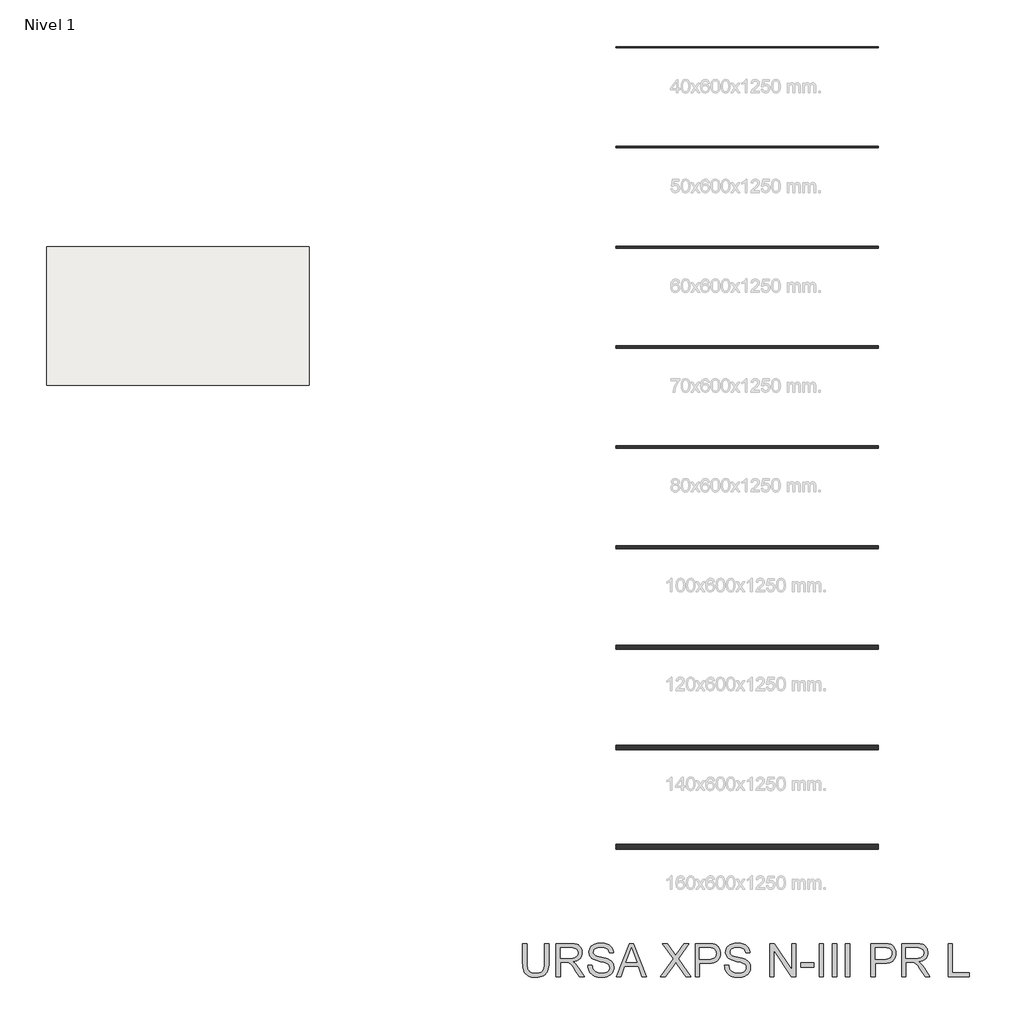
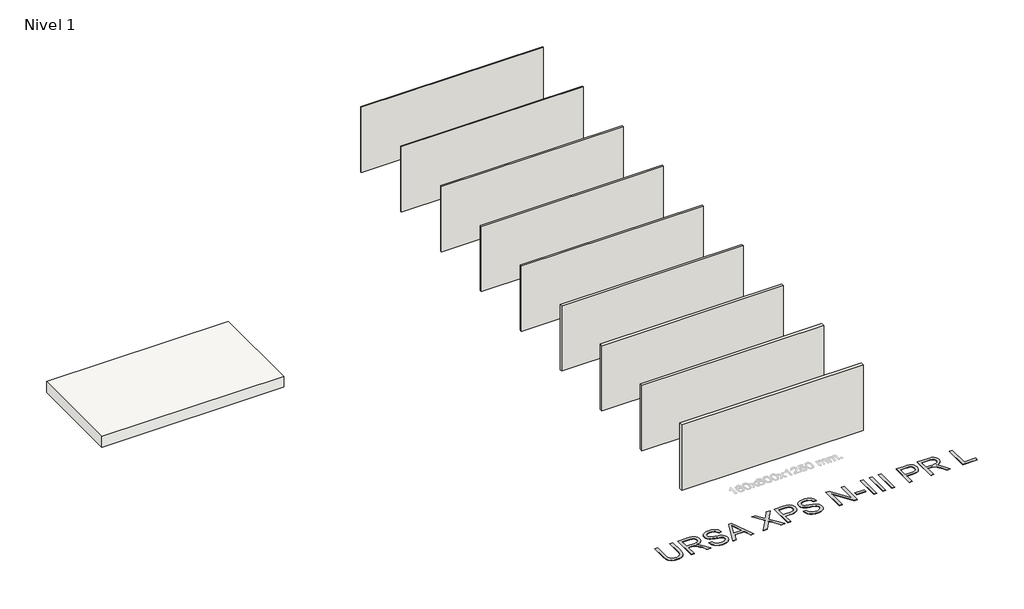
# One storey, part 1 of 6: 9 walls, 1 proxy, 1 slab.
"""IFC4 building model written with IfcOpenShell, lengths in millimetres."""

from ifc_helpers import new_model, si_unit, frame, origin, origin_with_axes, place, context, project, spatial, polyline, outline, extrude, element, save

model = new_model("IFC4")

# Units and contexts
model_context = context("Model", 3, world=origin())
ifc_project = project(units=[si_unit("LENGTHUNIT", "METRE", prefix="MILLI")], contexts=[model_context])

# Site, building, storey
site = spatial("IfcSite", under=ifc_project)
building = spatial("IfcBuilding", under=site)
storey = spatial("IfcBuildingStorey", under=building, Name="Nivel 1", Elevation=0.0)

# Proxy
placement = place(None, origin())
element("IfcBuildingElementProxy", 1, Name="Texto de modelo 2", ObjectType="Texto de modelo 2", at=placement, inside=storey, context=model_context, shape_type="SweptSolid", body=[
    extrude(outline(polyline([(-8674.2938661, -22989.8387308), (-8548.7234784, -22989.8387308), (-8548.7234784, -23569.3755006), (-8550.8541283, -23641.1354823), (-8557.2460779, -23705.0933), (-8567.8993274, -23761.2489537), (-8582.8138766, -23809.6024434), (-8603.2773126, -23851.985515), (-8630.5772223, -23890.229914), (-8664.7136058, -23924.3356407), (-8705.686463, -23954.3026949), (-8753.5417792, -23978.7131981), (-8808.3255396, -23996.1492718), (-8870.0377443, -24006.6109161), (-8938.6783933, -24010.0981308), (-9005.6252522, -24007.0631043), (-9066.1801614, -23997.958025), (-9120.343121, -23982.7828927), (-9168.1141309, -23961.5377074), (-9209.5008554, -23934.5367018), (-9244.5109586, -23902.0941084), (-9273.1444406, -23864.2099271), (-9295.4013013, -23820.8841579), (-9312.0862826, -23770.6299446), (-9324.0041264, -23711.9604305), (-9331.1548327, -23644.8756159), (-9333.5384014, -23569.3755006), (-9333.5384014, -22989.8387308), (-9207.9680137, -22989.8387308), (-9207.9680137, -23564.9609166), (-9206.4198437, -23625.66911), (-9201.7753335, -23677.8087187), (-9194.0344832, -23721.3797425), (-9183.1972927, -23756.3821815), (-9168.5893118, -23785.3452244), (-9149.5360902, -23810.7980599), (-9126.0376277, -23832.7406881), (-9098.0939245, -23851.1731089), (-9066.2414751, -23865.7657614), (-9031.0167741, -23876.1890846), (-8992.4198214, -23882.4430785), (-8950.4506171, -23884.5277431), (-8881.2428168, -23880.4043991), (-8822.7342511, -23868.034367), (-8774.9249202, -23847.4176468), (-8755.0324677, -23834.0167788), (-8737.8148239, -23818.5542386), (-8722.9270994, -23800.1601389), (-8710.0244048, -23777.9645918), (-8690.1741055, -23722.1691559), (-8678.2639259, -23651.1679308), (-8674.2938661, -23564.9609166), (-8674.2938661, -22989.8387308)])), origin_with_axes(), (0.0, 0.0, 1.0), 10.0),
    extrude(outline(polyline([(-8328.9752999, -23994.4018323), (-8328.9752999, -22989.8387308), (-7896.1008189, -22989.8387308), (-7833.9670828, -22991.5325209), (-7779.758138, -22996.6138909), (-7733.4739844, -23005.082841), (-7695.1146222, -23016.9393712), (-7662.4497668, -23033.0955221), (-7633.2491334, -23054.4633347), (-7607.5127221, -23081.0428088), (-7585.240533, -23112.8339446), (-7567.2679647, -23148.1276235), (-7554.4304159, -23185.2147271), (-7546.7278866, -23224.0952555), (-7544.1603769, -23264.7692086), (-7548.4140125, -23316.3646584), (-7561.1749192, -23363.7294653), (-7582.443097, -23406.8636292), (-7612.218546, -23445.7671502), (-7650.8844765, -23479.1984265), (-7698.824099, -23505.9158564), (-7756.0374135, -23525.9194399), (-7822.5244199, -23539.209177), (-7781.1376954, -23566.2485036), (-7751.1553128, -23592.9199483), (-7699.7131472, -23653.9270458), (-7649.3746275, -23722.1691559), (-7481.8656924, -23994.4018323), (-7627.7922171, -23994.4018323), (-7758.5129527, -23786.1806231), (-7810.8135097, -23706.7181121), (-7852.9359982, -23648.3475022), (-7888.0380719, -23608.1563942), (-7919.2773846, -23583.2323891), (-7948.8612284, -23568.6090798), (-7978.9968952, -23559.3200594), (-8051.8375302, -23554.9054754), (-8203.4049122, -23554.9054754), (-8203.4049122, -23994.4018323), (-8328.9752999, -23994.4018323)]), holes=[polyline([(-8203.4049122, -23429.3350877), (-7922.3430679, -23429.3350877), (-7841.6236268, -23424.889847), (-7778.9917171, -23411.5541246), (-7753.8071289, -23401.3300709), (-7731.8415081, -23388.4388726), (-7713.0948548, -23372.8805299), (-7697.5671689, -23354.6550427), (-7685.388742, -23334.6591234), (-7676.6898656, -23313.7894844), (-7671.4705398, -23292.0461257), (-7669.7307646, -23269.4290472), (-7673.0493667, -23237.3160147), (-7683.0051732, -23208.176695), (-7699.5981841, -23182.0110881), (-7722.8283992, -23158.819194), (-7753.2323133, -23139.827286), (-7791.3464208, -23126.2616374), (-7837.1707218, -23118.1222482), (-7890.7052163, -23115.4091185), (-8203.4049122, -23115.4091185), (-8203.4049122, -23429.3350877)])]), origin_with_axes(), (0.0, 0.0, 1.0), 10.0),
    extrude(outline(polyline([(-7371.5010938, -23649.0832662), (-7245.9307061, -23649.0832662), (-7240.18255, -23685.6338753), (-7231.5219947, -23718.7662475), (-7219.9490402, -23748.4803828), (-7205.4636867, -23774.7762812), (-7187.33017, -23798.1827732), (-7164.8127262, -23819.228689), (-7137.9113553, -23837.9140286), (-7106.6260573, -23854.2387922), (-7072.1064634, -23867.4902082), (-7035.5022049, -23876.9555054), (-6996.8132817, -23882.6346837), (-6956.0396939, -23884.5277431), (-6886.0808012, -23878.7949154), (-6854.3663075, -23871.6288807), (-6824.828449, -23861.5964321), (-6798.1953254, -23849.0577874), (-6775.1950365, -23834.3731644), (-6755.8275823, -23817.5425632), (-6740.0929628, -23798.5659836), (-6727.9145359, -23778.263496), (-6719.2156595, -23757.4551706), (-6713.9963337, -23736.1410075), (-6712.2565585, -23714.3210067), (-6717.4682201, -23672.2904887), (-6733.1032049, -23635.9621417), (-6746.2549862, -23619.8443118), (-6764.8636838, -23604.9680836), (-6788.9292976, -23591.3334572), (-6818.4518277, -23578.9404325), (-6884.7625574, -23559.2280889), (-7001.2891793, -23530.9931457), (-7121.3106803, -23499.2633237), (-7165.1116303, -23483.9732282), (-7198.1060468, -23469.0663432), (-7231.6369578, -23449.0627597), (-7260.6153291, -23426.8212274), (-7285.0411607, -23402.3417463), (-7304.9144527, -23375.6243164), (-7320.311847, -23346.9448492), (-7331.3099858, -23316.5792562), (-7337.9088691, -23284.5275374), (-7340.1084969, -23250.7896928), (-7337.387703, -23213.3960208), (-7329.2253212, -23177.2439506), (-7315.6213516, -23142.333482), (-7296.5757941, -23108.6646153), (-7272.3032467, -23077.6092435), (-7243.018307, -23050.53926), (-7208.7209752, -23027.4546648), (-7169.4112511, -23008.3554579), (-7126.4150429, -22993.3872593), (-7081.0582586, -22982.6956888), (-7033.3408982, -22976.2807465), (-6983.2629616, -22974.1424324), (-6928.6324853, -22976.3803812), (-6877.312947, -22983.0942276), (-6829.3043466, -22994.2839716), (-6784.6066842, -23009.9496132), (-6744.0476942, -23029.9531967), (-6708.4551112, -23054.1567663), (-6677.8289351, -23082.560322), (-6652.1691659, -23115.1638639), (-6631.6750731, -23151.01703), (-6616.545926, -23189.1694586), (-6606.7817248, -23229.6211496), (-6602.3824692, -23272.3721031), (-6727.9528569, -23272.3721031), (-6736.3528291, -23232.3036225), (-6751.0067953, -23197.4468035), (-6771.9147553, -23167.801646), (-6799.0767093, -23143.3681502), (-6832.998495, -23124.2689432), (-6874.18595, -23110.6266526), (-6922.6390745, -23102.4412782), (-6978.3578683, -23099.7128201), (-7035.8547585, -23102.4106214), (-7084.9823332, -23110.5040253), (-7125.7405926, -23123.9930317), (-7158.1295366, -23142.8776408), (-7182.8082871, -23165.5790256), (-7200.4359661, -23190.5183592), (-7211.0125734, -23217.6956416), (-7214.5381092, -23247.1108728), (-7212.0395773, -23272.4180884), (-7204.5439817, -23295.3647278), (-7192.0513223, -23315.9507911), (-7174.5615991, -23334.1762783), (-7147.0317631, -23351.4360753), (-7103.6830013, -23368.8798132), (-7044.5153138, -23386.5074921), (-6969.5287004, -23404.3191121), (-6831.0824429, -23437.9803146), (-6782.3687354, -23453.2014322), (-6747.3279753, -23467.3495606), (-6708.8306574, -23488.7940152), (-6675.7442704, -23512.9056143), (-6648.0688145, -23539.6843579), (-6625.8042896, -23569.1302459), (-6608.6901126, -23601.0899942), (-6596.4657005, -23635.4103187), (-6589.1310532, -23672.0912193), (-6586.6861708, -23711.1326961), (-6589.4989352, -23750.4117632), (-6597.9372285, -23788.5411992), (-6612.0010506, -23825.5210039), (-6631.6904015, -23861.3511774), (-6656.6603919, -23894.644498), (-6686.5661325, -23924.0137439), (-6721.4076231, -23949.4589153), (-6761.1848638, -23970.980012), (-6804.7405592, -23988.094189), (-6850.9174138, -24000.3186011), (-6899.7154276, -24007.6532484), (-6951.1346007, -24010.0981308), (-7015.3683299, -24007.4616432), (-7074.1604712, -23999.5521803), (-7127.5110247, -23986.3697421), (-7175.4199904, -23967.9143287), (-7218.1786081, -23944.1552832), (-7256.0781178, -23915.0619487), (-7289.1185195, -23880.6343253), (-7317.2998132, -23840.872413), (-7340.001198, -23797.0637988), (-7356.601873, -23750.4960695), (-7367.1018383, -23701.1692253), (-7371.5010938, -23649.0832662)])), origin_with_axes(), (0.0, 0.0, 1.0), 10.0),
    extrude(outline(polyline([(-6515.3170637, -23994.4018323), (-6114.325689, -22989.8387308), (-6007.3946557, -22989.8387308), (-5606.403281, -23994.4018323), (-5739.0860539, -23994.4018323), (-5854.110491, -23680.4758631), (-6267.8551083, -23680.4758631), (-6382.6342908, -23994.4018323), (-6515.3170637, -23994.4018323)]), holes=[polyline([(-6221.7472316, -23554.9054754), (-5899.9731131, -23554.9054754), (-5990.4720839, -23307.9340293), (-6060.8601723, -23115.4091185), (-6123.4001115, -23286.351619), (-6221.7472316, -23554.9054754)])]), origin_with_axes(), (0.0, 0.0, 1.0), 10.0),
    extrude(outline(polyline([(-5189.7156078, -23994.4018323), (-4802.4584942, -23446.9934235), (-5126.9304139, -22989.8387308), (-4976.3440506, -22989.8387308), (-4793.6293263, -23247.1108728), (-4750.0353099, -23312.2872996), (-4732.0704058, -23347.4200302), (-4659.9655347, -23245.3940902), (-4479.2128477, -22989.8387308), (-4326.4191924, -22989.8387308), (-4650.8911122, -23448.4649515), (-4263.6339986, -23994.4018323), (-4414.2203619, -23994.4018323), (-4672.2282679, -23630.4439118), (-4725.9390392, -23554.9054754), (-4785.0454131, -23637.8015517), (-5036.9219524, -23994.4018323), (-5189.7156078, -23994.4018323)])), origin_with_axes(), (0.0, 0.0, 1.0), 10.0),
    extrude(outline(polyline([(-4138.0636109, -23994.4018323), (-4138.0636109, -22989.8387308), (-3765.7670318, -22989.8387308), (-3679.0695082, -22992.2299638), (-3615.6711777, -22999.4036627), (-3580.7300524, -23006.9375794), (-3548.7473114, -23017.2765963), (-3519.7229549, -23030.4207134), (-3493.6569827, -23046.3699308), (-3470.2734833, -23065.4538093), (-3449.2965454, -23088.0019099), (-3430.7261689, -23114.0142326), (-3414.5623537, -23143.4907775), (-3401.471886, -23175.45819), (-3392.121552, -23208.9431158), (-3386.5113516, -23243.9455548), (-3384.6412848, -23280.465507), (-3389.691998, -23342.1317265), (-3404.8441377, -23398.8621958), (-3430.0977038, -23450.656915), (-3465.4526964, -23497.5158842), (-3487.6884805, -23518.3242095), (-3513.9901271, -23536.3580915), (-3544.3576362, -23551.6175301), (-3578.7910077, -23564.1025253), (-3617.2902417, -23573.8130771), (-3659.8553382, -23580.7491856), (-3757.1831185, -23586.2980724), (-4012.4932232, -23586.2980724), (-4012.4932232, -23994.4018323), (-4138.0636109, -23994.4018323)]), holes=[polyline([(-4012.4932232, -23460.7276847), (-3749.8254786, -23460.7276847), (-3689.4315178, -23457.8459424), (-3638.4798614, -23449.2007155), (-3596.9705096, -23434.792004), (-3564.9034624, -23414.6198079), (-3540.9758043, -23389.2206219), (-3523.8846199, -23359.1309403), (-3513.6299093, -23324.3507634), (-3510.2116724, -23284.880091), (-3512.2273592, -23255.5721587), (-3518.2744195, -23228.4715184), (-3528.3528533, -23203.57817), (-3542.4626607, -23180.8921137), (-3559.8527492, -23161.1491133), (-3579.7720264, -23145.0849328), (-3602.2204923, -23132.6995723), (-3627.1981469, -23123.9930317), (-3675.6359429, -23117.5550968), (-3752.7685346, -23115.4091185), (-4012.4932232, -23115.4091185), (-4012.4932232, -23460.7276847)])]), origin_with_axes(), (0.0, 0.0, 1.0), 10.0),
    extrude(outline(polyline([(-3259.0708971, -23649.0832662), (-3133.5005094, -23649.0832662), (-3127.7523532, -23685.6338753), (-3119.0917979, -23718.7662475), (-3107.5188435, -23748.4803828), (-3093.0334899, -23774.7762812), (-3074.8999732, -23798.1827732), (-3052.3825294, -23819.228689), (-3025.4811585, -23837.9140286), (-2994.1958605, -23854.2387922), (-2959.6762667, -23867.4902082), (-2923.0720081, -23876.9555054), (-2884.383085, -23882.6346837), (-2843.6094972, -23884.5277431), (-2773.6506044, -23878.7949154), (-2741.9361108, -23871.6288807), (-2712.3982522, -23861.5964321), (-2685.7651286, -23849.0577874), (-2662.7648397, -23834.3731644), (-2643.3973855, -23817.5425632), (-2627.662766, -23798.5659836), (-2615.4843391, -23778.263496), (-2606.7854628, -23757.4551706), (-2601.566137, -23736.1410075), (-2599.8263617, -23714.3210067), (-2605.0380233, -23672.2904887), (-2620.6730081, -23635.9621417), (-2633.8247894, -23619.8443118), (-2652.433487, -23604.9680836), (-2676.4991009, -23591.3334572), (-2706.021631, -23578.9404325), (-2772.3323606, -23559.2280889), (-2888.8589826, -23530.9931457), (-3008.8804835, -23499.2633237), (-3052.6814336, -23483.9732282), (-3085.67585, -23469.0663432), (-3119.206761, -23449.0627597), (-3148.1851324, -23426.8212274), (-3172.610964, -23402.3417463), (-3192.4842559, -23375.6243164), (-3207.8816503, -23346.9448492), (-3218.8797891, -23316.5792562), (-3225.4786724, -23284.5275374), (-3227.6783001, -23250.7896928), (-3224.9575062, -23213.3960208), (-3216.7951245, -23177.2439506), (-3203.1911548, -23142.333482), (-3184.1455974, -23108.6646153), (-3159.8730499, -23077.6092435), (-3130.5881103, -23050.53926), (-3096.2907784, -23027.4546648), (-3056.9810544, -23008.3554579), (-3013.9848462, -22993.3872593), (-2968.6280619, -22982.6956888), (-2920.9107014, -22976.2807465), (-2870.8327648, -22974.1424324), (-2816.2022885, -22976.3803812), (-2764.8827502, -22983.0942276), (-2716.8741498, -22994.2839716), (-2672.1764874, -23009.9496132), (-2631.6174975, -23029.9531967), (-2596.0249144, -23054.1567663), (-2565.3987383, -23082.560322), (-2539.7389692, -23115.1638639), (-2519.2448763, -23151.01703), (-2504.1157293, -23189.1694586), (-2494.351528, -23229.6211496), (-2489.9522725, -23272.3721031), (-2615.5226602, -23272.3721031), (-2623.9226324, -23232.3036225), (-2638.5765985, -23197.4468035), (-2659.4845586, -23167.801646), (-2686.6465126, -23143.3681502), (-2720.5682982, -23124.2689432), (-2761.7557533, -23110.6266526), (-2810.2088777, -23102.4412782), (-2865.9276716, -23099.7128201), (-2923.4245617, -23102.4106214), (-2972.5521365, -23110.5040253), (-3013.3103959, -23123.9930317), (-3045.6993399, -23142.8776408), (-3070.3780904, -23165.5790256), (-3088.0057693, -23190.5183592), (-3098.5823767, -23217.6956416), (-3102.1079125, -23247.1108728), (-3099.6093806, -23272.4180884), (-3092.1137849, -23295.3647278), (-3079.6211255, -23315.9507911), (-3062.1314023, -23334.1762783), (-3034.6015663, -23351.4360753), (-2991.2528046, -23368.8798132), (-2932.085117, -23386.5074921), (-2857.0985037, -23404.3191121), (-2718.6522462, -23437.9803146), (-2669.9385386, -23453.2014322), (-2634.8977786, -23467.3495606), (-2596.4004606, -23488.7940152), (-2563.3140737, -23512.9056143), (-2535.6386178, -23539.6843579), (-2513.3740928, -23569.1302459), (-2496.2599159, -23601.0899942), (-2484.0355037, -23635.4103187), (-2476.7008564, -23672.0912193), (-2474.255974, -23711.1326961), (-2477.0687384, -23750.4117632), (-2485.5070317, -23788.5411992), (-2499.5708538, -23825.5210039), (-2519.2602048, -23861.3511774), (-2544.2301952, -23894.644498), (-2574.1359357, -23924.0137439), (-2608.9774263, -23949.4589153), (-2648.7546671, -23970.980012), (-2692.3103625, -23988.094189), (-2738.4872171, -24000.3186011), (-2787.2852309, -24007.6532484), (-2838.7044039, -24010.0981308), (-2902.9381331, -24007.4616432), (-2961.7302745, -23999.5521803), (-3015.080828, -23986.3697421), (-3062.9897936, -23967.9143287), (-3105.7484114, -23944.1552832), (-3143.6479211, -23915.0619487), (-3176.6883228, -23880.6343253), (-3204.8696164, -23840.872413), (-3227.5710012, -23797.0637988), (-3244.1716763, -23750.4960695), (-3254.6716415, -23701.1692253), (-3259.0708971, -23649.0832662)])), origin_with_axes(), (0.0, 0.0, 1.0), 10.0),
    extrude(outline(polyline([(-1893.492931, -23994.4018323), (-1893.492931, -22989.8387308), (-1759.0933754, -22989.8387308), (-1234.2483956, -23785.6901137), (-1234.2483956, -22989.8387308), (-1108.6780079, -22989.8387308), (-1108.6780079, -23994.4018323), (-1243.0775635, -23994.4018323), (-1767.9225433, -23198.3051948), (-1767.9225433, -23994.4018323), (-1893.492931, -23994.4018323)])), origin_with_axes(), (0.0, 0.0, 1.0), 10.0),
    extrude(outline(polyline([(-967.4113218, -23696.1721616), (-967.4113218, -23570.6017739), (-575.0038603, -23570.6017739), (-575.0038603, -23696.1721616), (-967.4113218, -23696.1721616)])), origin_with_axes(), (0.0, 0.0, 1.0), 10.0),
    extrude(outline(polyline([(-402.3445772, -23994.4018323), (-402.3445772, -22989.8387308), (-276.7741895, -22989.8387308), (-276.7741895, -23994.4018323), (-402.3445772, -23994.4018323)])), origin_with_axes(), (0.0, 0.0, 1.0), 10.0),
    extrude(outline(polyline([(-9.9371157, -23994.4018323), (-9.9371157, -22989.8387308), (115.633272, -22989.8387308), (115.633272, -23994.4018323), (-9.9371157, -23994.4018323)])), origin_with_axes(), (0.0, 0.0, 1.0), 10.0),
    extrude(outline(polyline([(382.4703459, -23994.4018323), (382.4703459, -22989.8387308), (508.0407335, -22989.8387308), (508.0407335, -23994.4018323), (382.4703459, -23994.4018323)])), origin_with_axes(), (0.0, 0.0, 1.0), 10.0),
    extrude(outline(polyline([(1151.5889704, -23994.4018323), (1151.5889704, -22989.8387308), (1523.8855496, -22989.8387308), (1610.5830731, -22992.2299638), (1673.9814036, -22999.4036627), (1708.9225289, -23006.9375794), (1740.9052699, -23017.2765963), (1769.9296265, -23030.4207134), (1795.9955987, -23046.3699308), (1819.379098, -23065.4538093), (1840.3560359, -23088.0019099), (1858.9264125, -23114.0142326), (1875.0902276, -23143.4907775), (1888.1806953, -23175.45819), (1897.5310293, -23208.9431158), (1903.1412298, -23243.9455548), (1905.0112966, -23280.465507), (1899.9605833, -23342.1317265), (1884.8084437, -23398.8621958), (1859.5548775, -23450.656915), (1824.199885, -23497.5158842), (1801.9641008, -23518.3242095), (1775.6624542, -23536.3580915), (1745.2949451, -23551.6175301), (1710.8615736, -23564.1025253), (1672.3623396, -23573.8130771), (1629.7972431, -23580.7491856), (1532.4694628, -23586.2980724), (1277.1593581, -23586.2980724), (1277.1593581, -23994.4018323), (1151.5889704, -23994.4018323)]), holes=[polyline([(1277.1593581, -23460.7276847), (1539.8271027, -23460.7276847), (1600.2210636, -23457.8459424), (1651.1727199, -23449.2007155), (1692.6820717, -23434.792004), (1724.7491189, -23414.6198079), (1748.676777, -23389.2206219), (1765.7679614, -23359.1309403), (1776.022672, -23324.3507634), (1779.4409089, -23284.880091), (1777.4252221, -23255.5721587), (1771.3781618, -23228.4715184), (1761.299728, -23203.57817), (1747.1899206, -23180.8921137), (1729.7998322, -23161.1491133), (1709.880555, -23145.0849328), (1687.432089, -23132.6995723), (1662.4544344, -23123.9930317), (1614.0166384, -23117.5550968), (1536.8840467, -23115.4091185), (1277.1593581, -23115.4091185), (1277.1593581, -23460.7276847)])]), origin_with_axes(), (0.0, 0.0, 1.0), 10.0),
    extrude(outline(polyline([(2077.6705796, -23994.4018323), (2077.6705796, -22989.8387308), (2510.5450606, -22989.8387308), (2572.6787968, -22991.5325209), (2626.8877416, -22996.6138909), (2673.1718951, -23005.082841), (2711.5312573, -23016.9393712), (2744.1961128, -23033.0955221), (2773.3967462, -23054.4633347), (2799.1331574, -23081.0428088), (2821.4053465, -23112.8339446), (2839.3779149, -23148.1276235), (2852.2154636, -23185.2147271), (2859.9179929, -23224.0952555), (2862.4855027, -23264.7692086), (2858.2318671, -23316.3646584), (2845.4709604, -23363.7294653), (2824.2027826, -23406.8636292), (2794.4273336, -23445.7671502), (2755.761403, -23479.1984265), (2707.8217805, -23505.9158564), (2650.6084661, -23525.9194399), (2584.1214597, -23539.209177), (2625.5081841, -23566.2485036), (2655.4905667, -23592.9199483), (2706.9327324, -23653.9270458), (2757.2712521, -23722.1691559), (2924.7801872, -23994.4018323), (2778.8536624, -23994.4018323), (2648.1329268, -23786.1806231), (2595.8323698, -23706.7181121), (2553.7098814, -23648.3475022), (2518.6078077, -23608.1563942), (2487.3684949, -23583.2323891), (2457.7846511, -23568.6090798), (2427.6489844, -23559.3200594), (2354.8083493, -23554.9054754), (2203.2409673, -23554.9054754), (2203.2409673, -23994.4018323), (2077.6705796, -23994.4018323)]), holes=[polyline([(2203.2409673, -23429.3350877), (2484.3028116, -23429.3350877), (2565.0222527, -23424.889847), (2627.6541624, -23411.5541246), (2652.8387507, -23401.3300709), (2674.8043715, -23388.4388726), (2693.5510248, -23372.8805299), (2709.0787107, -23354.6550427), (2721.2571376, -23334.6591234), (2729.9560139, -23313.7894844), (2735.1753397, -23292.0461257), (2736.915115, -23269.4290472), (2733.5965128, -23237.3160147), (2723.6407063, -23208.176695), (2707.0476955, -23182.0110881), (2683.8174804, -23158.819194), (2653.4135663, -23139.827286), (2615.2994588, -23126.2616374), (2569.4751577, -23118.1222482), (2515.9406632, -23115.4091185), (2203.2409673, -23115.4091185), (2203.2409673, -23429.3350877)])]), origin_with_axes(), (0.0, 0.0, 1.0), 10.0),
    extrude(outline(polyline([(3474.6411427, -23994.4018323), (3474.6411427, -22989.8387308), (3600.2115303, -22989.8387308), (3600.2115303, -23868.8314446), (4102.4930811, -23868.8314446), (4102.4930811, -23994.4018323), (3474.6411427, -23994.4018323)])), origin_with_axes(), (0.0, 0.0, 1.0), 10.0),
])

# Slab
element("IfcSlab", 2, at=placement, inside=storey, context=model_context, shape_type="SweptSolid", body=[
    extrude(outline(polyline([(-15769.5892022, -2020.2851318), (-15769.5892022, -6187.1000163), (-23669.5892022, -6187.1000163), (-23669.5892022, -2020.2851318), (-15769.5892022, -2020.2851318)])), frame((0.0, 0.0, -490.0), z_axis=(0.0, 0.0, 1.0), x_axis=(1.0, 0.0, 0.0)), (0.0, 0.0, 1.0), 490.0),
])

# Walls
element("IfcWall", 3, at=placement, inside=storey, context=model_context, shape_type="SweptSolid", body=[
    extrude(outline(polyline([(1368.7582768, 3960.3831431), (-6531.2417232, 3960.3831431), (-6531.2417232, 4000.3831431), (1368.7582768, 4000.3831431), (1368.7582768, 3960.3831431)])), origin_with_axes(), (0.0, 0.0, 1.0), 3000.0),
])
element("IfcWall", 4, at=placement, inside=storey, context=model_context, shape_type="SweptSolid", body=[
    extrude(outline(polyline([(1368.7582768, 950.3831431), (-6531.2417232, 950.3831431), (-6531.2417232, 1000.3831431), (1368.7582768, 1000.3831431), (1368.7582768, 950.3831431)])), origin_with_axes(), (0.0, 0.0, 1.0), 3000.0),
])
element("IfcWall", 5, at=placement, inside=storey, context=model_context, shape_type="SweptSolid", body=[
    extrude(outline(polyline([(1368.7582768, -2063.6168569), (-6531.2417232, -2063.6168569), (-6531.2417232, -2003.6168569), (1368.7582768, -2003.6168569), (1368.7582768, -2063.6168569)])), origin_with_axes(), (0.0, 0.0, 1.0), 3000.0),
])
element("IfcWall", 6, at=placement, inside=storey, context=model_context, shape_type="SweptSolid", body=[
    extrude(outline(polyline([(1368.7582768, -5077.6168569), (-6531.2417232, -5077.6168569), (-6531.2417232, -5007.6168569), (1368.7582768, -5007.6168569), (1368.7582768, -5077.6168569)])), origin_with_axes(), (0.0, 0.0, 1.0), 3000.0),
])
element("IfcWall", 7, at=placement, inside=storey, context=model_context, shape_type="SweptSolid", body=[
    extrude(outline(polyline([(1368.7582768, -8091.6168569), (-6531.2417232, -8091.6168569), (-6531.2417232, -8011.6168569), (1368.7582768, -8011.6168569), (1368.7582768, -8091.6168569)])), origin_with_axes(), (0.0, 0.0, 1.0), 3000.0),
])
element("IfcWall", 8, at=placement, inside=storey, context=model_context, shape_type="SweptSolid", body=[
    extrude(outline(polyline([(1368.7582768, -11115.6168569), (-6531.2417232, -11115.6168569), (-6531.2417232, -11015.6168569), (1368.7582768, -11015.6168569), (1368.7582768, -11115.6168569)])), origin_with_axes(), (0.0, 0.0, 1.0), 3000.0),
])
element("IfcWall", 9, at=placement, inside=storey, context=model_context, shape_type="SweptSolid", body=[
    extrude(outline(polyline([(1368.7582768, -14139.6168569), (-6531.2417232, -14139.6168569), (-6531.2417232, -14019.6168569), (1368.7582768, -14019.6168569), (1368.7582768, -14139.6168569)])), origin_with_axes(), (0.0, 0.0, 1.0), 3000.0),
])
element("IfcWall", 10, at=placement, inside=storey, context=model_context, shape_type="SweptSolid", body=[
    extrude(outline(polyline([(1368.7582768, -17163.6168569), (-6531.2417232, -17163.6168569), (-6531.2417232, -17023.6168569), (1368.7582768, -17023.6168569), (1368.7582768, -17163.6168569)])), origin_with_axes(), (0.0, 0.0, 1.0), 3000.0),
])
element("IfcWall", 11, at=placement, inside=storey, context=model_context, shape_type="SweptSolid", body=[
    extrude(outline(polyline([(1368.7582768, -20157.6168569), (-6531.2417232, -20157.6168569), (-6531.2417232, -19997.6168569), (1368.7582768, -19997.6168569), (1368.7582768, -20157.6168569)])), origin_with_axes(), (0.0, 0.0, 1.0), 3000.0),
])

save(model, "model.ifc")
